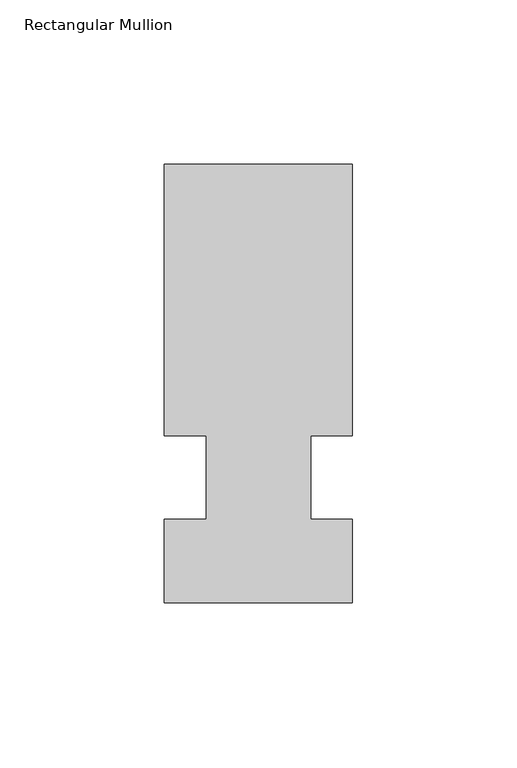
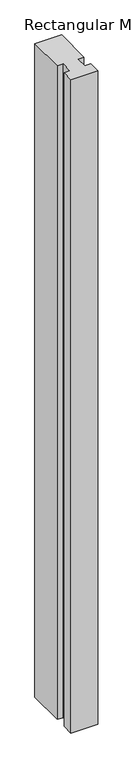
"""IFC4 building model written with IfcOpenShell, lengths in millimetres: member geometry, Rectangular Mullion."""

from ifc_helpers import new_model, si_unit, frame, origin, place, context, project, spatial, polyline, outline, extrude, source, transform, mapped, element, save


def rectangular_mullion_b7415137(model_context):
    return source(origin(), model_context, "Body", "SweptSolid", [
        extrude(outline(polyline([(32.9094027, 95.25), (32.9094027, 12.7), (20.2076322, 12.7), (20.2076322, -12.7), (32.9094027, -12.7), (32.9094027, -38.1), (-24.2405973, -38.1), (-24.2405973, -12.7), (-11.5405973, -12.7), (-11.5405973, 12.7), (-24.2405973, 12.7), (-24.2405973, 95.25), (32.9094027, 95.25)])), frame((0.0, 0.0, -1478.28), z_axis=(0.0, 0.0, 1.0), x_axis=(1.0, 0.0, 0.0)), (0.0, 0.0, 1.0), 1478.28),
    ])


if __name__ == "__main__":
    model = new_model("IFC4")
    model_context = context("Model", 3, world=origin())
    ifc_project = project(units=[si_unit("LENGTHUNIT", "METRE", prefix="MILLI")], contexts=[model_context])
    site = spatial("IfcSite", under=ifc_project)
    building = spatial("IfcBuilding", under=site)
    placement = place(None, origin())
    rectangular_mullion_shape = rectangular_mullion_b7415137(model_context)
    element("IfcMember", 1, ObjectType="Rectangular Mullion", at=placement, inside=building, context=model_context, shape_type="MappedRepresentation", body=[
        mapped(rectangular_mullion_shape, transform((0.0, 0.0, 0.0), x_axis=(1.0, 0.0, 0.0), y_axis=(0.0, 1.0, 0.0), z_axis=(0.0, 0.0, 1.0))),
    ])
    save(model, "model.ifc")
